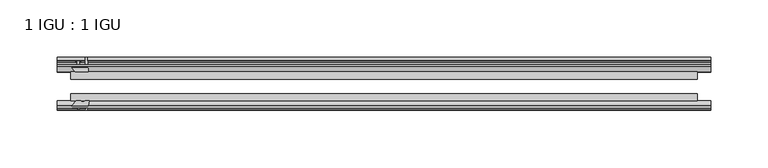
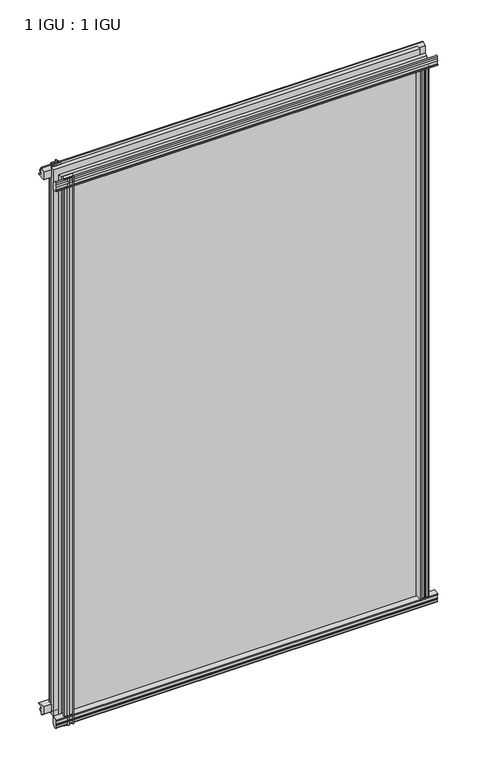
"""IFC4 building model written with IfcOpenShell, lengths in millimetres: plate geometry, 1 IGU : 1 IGU."""

from ifc_helpers import new_model, si_unit, point, frame, frame_2d, origin, origin_with_axes, place, context, project, spatial, polyline, circle_curve, trimmed, segment, composite_curve, outline, extrude, source, transform, mapped, element, save


def plate_1_igu_1_igu_f4d2c5c8(model_context):
    return source(origin(), model_context, "Body", "SweptSolid", [
        extrude(outline(polyline([(-24.9039062, 2.5763839), (-12.2039062, 1.5739665), (-12.2039062, 0.0), (-18.5539062, 0.0), (-18.5539062, -4.953), (-16.254502, -5.5691235), (-16.6301757, -4.1670901), (-15.7714677, -3.937), (-15.1249062, -6.35), (-15.7714677, -8.763), (-16.6301757, -8.5329099), (-16.254502, -7.1308765), (-18.5539062, -7.747), (-18.5539062, -12.7), (-20.5859062, -12.7), (-24.9039062, -9.1036931), (-24.9039062, 2.5763839)])), frame((-285.9124065, 0.0, 0.0), z_axis=(1.0, 0.0, 0.0), x_axis=(0.0, 1.0, 0.0)), (0.0, 0.0, 1.0), 570.1380942),
        extrude(outline(composite_curve([segment(polyline([(-58.2287402, 1.5687054), (-50.3039062, 3.0983599), (-50.3039062, -7.92383), (-54.4858806, -12.1058044)]), True, "CONTINUOUS"), segment(trimmed(circle_curve(frame_2d((-55.3839062, -11.2077788)), 1.27), [point((-54.4858806, -12.1058044))], [point((-56.6539062, -11.2077788))], False, "CARTESIAN"), True, "CONTINUOUS"), segment(polyline([(-56.6539062, -11.2077788), (-56.6539062, -8.0327788), (-58.1332022, -5.4488186), (-56.6539062, -5.1879788), (-56.6539062, 0.2222212), (-58.2287402, 0.0), (-58.2287402, 1.5687054)]), True, "CONTINUOUS")], self_intersect=False)), frame((-285.9124065, 0.0, 0.0), z_axis=(1.0, 0.0, 0.0), x_axis=(0.0, 1.0, 0.0)), (0.0, 0.0, 1.0), 570.1380942),
        extrude(outline(polyline([(-18.5539063, 845.956525), (-16.254502, 845.3404015), (-16.6301757, 846.7424349), (-15.7714677, 846.972525), (-15.1249063, 844.559525), (-15.7714677, 842.146525), (-16.6301757, 842.3766151), (-16.254502, 843.7786485), (-18.5539063, 843.162525), (-18.5539063, 838.209525), (-12.2039062, 838.209525), (-12.2039062, 836.6355585), (-24.9039063, 835.6331411), (-24.9039063, 847.3132181), (-20.5859063, 850.909525), (-18.5539063, 850.909525), (-18.5539063, 845.956525)])), frame((-285.9124065, 0.0, 0.0), z_axis=(1.0, 0.0, 0.0), x_axis=(0.0, 1.0, 0.0)), (0.0, 0.0, 1.0), 570.1380942),
        extrude(outline(composite_curve([segment(polyline([(-50.3039063, 846.133355), (-50.3039063, 835.1111651), (-58.2287402, 836.6408196), (-58.2287402, 838.209525), (-56.6539063, 837.9873038), (-56.6539063, 843.3975038), (-58.1332023, 843.6583436), (-56.6539063, 846.2423038), (-56.6539063, 849.4173038)]), True, "CONTINUOUS"), segment(trimmed(circle_curve(frame_2d((-55.3839063, 849.4173038)), 1.27), [point((-56.6539063, 849.4173038))], [point((-54.4858806, 850.3153294))], False, "CARTESIAN"), True, "CONTINUOUS"), segment(polyline([(-54.4858806, 850.3153294), (-50.3039063, 846.133355)]), True, "CONTINUOUS")], self_intersect=False)), frame((-285.9124065, 0.0, 0.0), z_axis=(1.0, 0.0, 0.0), x_axis=(0.0, 1.0, 0.0)), (0.0, 0.0, 1.0), 570.1380942),
        extrude(outline(composite_curve([segment(polyline([(257.9328437, -57.3876965), (256.5655278, -50.3039063), (267.5877177, -50.3039063), (271.7696921, -54.4858806)]), True, "CONTINUOUS"), segment(trimmed(circle_curve(frame_2d((270.8716665, -55.3839062)), 1.27), [point((271.7696921, -54.4858806))], [point((270.8716665, -56.6539062))], False, "CARTESIAN"), True, "CONTINUOUS"), segment(polyline([(270.8716665, -56.6539062), (267.6966665, -56.6539063), (265.1127063, -58.1332023), (264.8518665, -56.6539063), (259.4416665, -56.6539063), (259.6638877, -58.2287402), (258.6995669, -58.2014026)]), True, "CONTINUOUS"), segment(trimmed(circle_curve(frame_2d((258.9336665, -57.2127402)), 1.016), [point((258.6995669, -58.2014026))], [point((257.9328437, -57.3876965))], False, "CARTESIAN"), True, "CONTINUOUS")], self_intersect=False)), origin_with_axes(), (0.0, 0.0, 1.0), 838.6064),
        extrude(outline(polyline([(264.6168877, -18.5539062), (265.2330112, -16.254502), (263.8309778, -16.6301757), (263.6008877, -15.7714677), (266.0138877, -15.1249062), (268.4268877, -15.7714677), (268.1967976, -16.6301757), (266.7947642, -16.254502), (267.4108877, -18.5539062), (272.3638877, -18.5539063), (272.3638877, -20.5859063), (268.7675808, -24.9039063), (257.0875038, -24.9039063), (258.0899212, -12.2039062), (259.6638877, -12.2039062), (259.6638877, -18.5539062), (264.6168877, -18.5539062)])), origin_with_axes(), (0.0, 0.0, 1.0), 838.6064),
        extrude(outline(composite_curve([segment(polyline([(-269.3833853, -56.6539062), (-272.5583853, -56.6539062)]), True, "CONTINUOUS"), segment(trimmed(circle_curve(frame_2d((-272.5583853, -55.3839062)), 1.27), [point((-272.5583853, -56.6539062))], [point((-273.4564109, -54.4858806))], False, "CARTESIAN"), True, "CONTINUOUS"), segment(polyline([(-273.4564109, -54.4858806), (-269.2744365, -50.3039062), (-265.604891, -50.3039062)]), True, "CONTINUOUS"), segment(trimmed(circle_curve(frame_2d((-263.5413853, -46.3669062)), 4.445), [point((-265.604891, -50.3039062))], [point((-261.4778795, -50.3039062))], True, "CARTESIAN"), True, "CONTINUOUS"), segment(polyline([(-261.4778795, -50.3039062), (-258.2522465, -50.3039062), (-259.781901, -58.2287402), (-261.3506065, -58.2287402), (-261.1283853, -56.6539062), (-266.5385853, -56.6539062), (-266.7994251, -58.1332022), (-269.3833853, -56.6539062)]), True, "CONTINUOUS")], self_intersect=False)), frame((0.0, 0.0, -12.7), z_axis=(0.0, 0.0, 1.0), x_axis=(1.0, 0.0, 0.0)), (0.0, 0.0, 1.0), 863.609525),
        extrude(outline(polyline([(-258.7742225, -24.9039062), (-270.4542996, -24.9039062), (-274.0506065, -20.5859062), (-274.0506065, -18.5539062), (-269.0976065, -18.5539062), (-268.481483, -16.254502), (-269.8835163, -16.6301757), (-270.1136065, -15.7714677), (-267.7006065, -15.1249062), (-265.2876065, -15.7714677), (-265.5176966, -16.6301757), (-266.91973, -16.254502), (-266.3036065, -18.5539062), (-261.3506065, -18.5539062), (-261.3506065, -12.2039062), (-259.7766399, -12.2039062), (-258.7742225, -24.9039062)])), frame((0.0, 0.0, -12.7), z_axis=(0.0, 0.0, 1.0), x_axis=(1.0, 0.0, 0.0)), (0.0, 0.0, 1.0), 863.609525),
        extrude(outline(polyline([(272.3638877, -24.9039062), (272.3638877, -31.2031063), (-274.0506065, -31.2031063), (-274.0506065, -24.9039062), (272.3638877, -24.9039062)])), frame((0.0, 0.0, -12.7), z_axis=(0.0, 0.0, 1.0), x_axis=(1.0, 0.0, 0.0)), (0.0, 0.0, 1.0), 863.609525),
        extrude(outline(polyline([(-274.0506065, -44.0047063), (272.3638877, -44.0047063), (272.3638877, -50.3039062), (-274.0506065, -50.3039062), (-274.0506065, -44.0047063)])), frame((0.0, 0.0, -12.7), z_axis=(0.0, 0.0, 1.0), x_axis=(1.0, 0.0, 0.0)), (0.0, 0.0, 1.0), 863.609525),
    ])


if __name__ == "__main__":
    model = new_model("IFC4")
    model_context = context("Model", 3, world=origin())
    ifc_project = project(units=[si_unit("LENGTHUNIT", "METRE", prefix="MILLI")], contexts=[model_context])
    site = spatial("IfcSite", under=ifc_project)
    building = spatial("IfcBuilding", under=site)
    placement = place(None, origin())
    plate_1_igu_1_igu_shape = plate_1_igu_1_igu_f4d2c5c8(model_context)
    element("IfcPlate", 1, ObjectType="1 IGU : 1 IGU", at=placement, inside=building, context=model_context, shape_type="MappedRepresentation", body=[
        mapped(plate_1_igu_1_igu_shape, transform((0.0, 0.0, 0.0), x_axis=(1.0, 0.0, 0.0), y_axis=(0.0, 1.0, 0.0), z_axis=(0.0, 0.0, 1.0))),
    ])
    save(model, "model.ifc")
